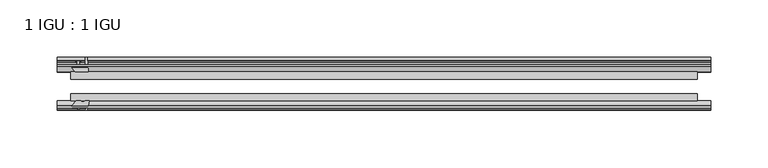
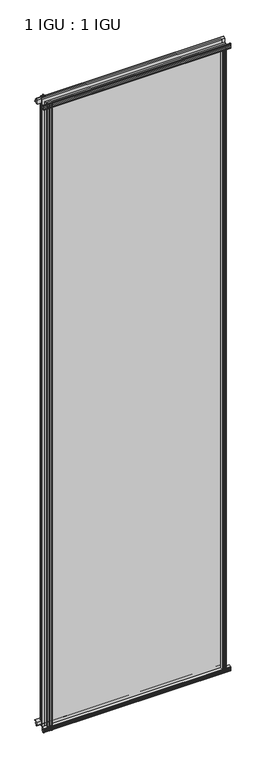
"""IFC4 building model written with IfcOpenShell, lengths in millimetres: plate geometry, 1 IGU : 1 IGU."""

from ifc_helpers import new_model, si_unit, point, frame, frame_2d, origin, origin_with_axes, place, context, project, spatial, polyline, circle_curve, trimmed, segment, composite_curve, outline, extrude, source, transform, mapped, element, save


def plate_1_igu_1_igu_58485bd3(model_context):
    return source(origin(), model_context, "Body", "SweptSolid", [
        extrude(outline(polyline([(-24.9039062, 2.5763839), (-12.2039062, 1.5739665), (-12.2039062, 0.0), (-18.5539062, 0.0), (-18.5539062, -4.953), (-16.254502, -5.5691235), (-16.6301757, -4.1670901), (-15.7714677, -3.937), (-15.1249062, -6.35), (-15.7714677, -8.763), (-16.6301757, -8.5329099), (-16.254502, -7.1308765), (-18.5539062, -7.747), (-18.5539062, -12.7), (-20.5859062, -12.7), (-24.9039062, -9.1036931), (-24.9039062, 2.5763839)])), frame((-285.9124065, 0.0, 0.0), z_axis=(1.0, 0.0, 0.0), x_axis=(0.0, 1.0, 0.0)), (0.0, 0.0, 1.0), 570.1380942),
        extrude(outline(composite_curve([segment(polyline([(-58.2287402, 1.5687054), (-50.3039062, 3.0983599), (-50.3039062, -7.92383), (-54.4858806, -12.1058044)]), True, "CONTINUOUS"), segment(trimmed(circle_curve(frame_2d((-55.3839062, -11.2077788)), 1.27), [point((-54.4858806, -12.1058044))], [point((-56.6539062, -11.2077788))], False, "CARTESIAN"), True, "CONTINUOUS"), segment(polyline([(-56.6539062, -11.2077788), (-56.6539062, -8.0327788), (-58.1332022, -5.4488186), (-56.6539062, -5.1879788), (-56.6539062, 0.2222212), (-58.2287402, 0.0), (-58.2287402, 1.5687054)]), True, "CONTINUOUS")], self_intersect=False)), frame((-285.9124065, 0.0, 0.0), z_axis=(1.0, 0.0, 0.0), x_axis=(0.0, 1.0, 0.0)), (0.0, 0.0, 1.0), 570.1380942),
        extrude(outline(polyline([(-18.5539063, 2001.656525), (-16.254502, 2001.0404015), (-16.6301757, 2002.4424349), (-15.7714677, 2002.672525), (-15.1249063, 2000.259525), (-15.7714677, 1997.846525), (-16.6301757, 1998.0766151), (-16.254502, 1999.4786485), (-18.5539063, 1998.862525), (-18.5539063, 1993.909525), (-12.2039062, 1993.909525), (-12.2039062, 1992.3355585), (-24.9039063, 1991.3331411), (-24.9039063, 2003.0132181), (-20.5859063, 2006.609525), (-18.5539063, 2006.609525), (-18.5539063, 2001.656525)])), frame((-285.9124065, 0.0, 0.0), z_axis=(1.0, 0.0, 0.0), x_axis=(0.0, 1.0, 0.0)), (0.0, 0.0, 1.0), 570.1380942),
        extrude(outline(composite_curve([segment(polyline([(-50.3039063, 2001.833355), (-50.3039063, 1990.8111651), (-58.2287402, 1992.3408196), (-58.2287402, 1993.909525), (-56.6539063, 1993.6873038), (-56.6539063, 1999.0975038), (-58.1332023, 1999.3583436), (-56.6539063, 2001.9423038), (-56.6539063, 2005.1173038)]), True, "CONTINUOUS"), segment(trimmed(circle_curve(frame_2d((-55.3839063, 2005.1173038)), 1.27), [point((-56.6539063, 2005.1173038))], [point((-54.4858806, 2006.0153294))], False, "CARTESIAN"), True, "CONTINUOUS"), segment(polyline([(-54.4858806, 2006.0153294), (-50.3039063, 2001.833355)]), True, "CONTINUOUS")], self_intersect=False)), frame((-285.9124065, 0.0, 0.0), z_axis=(1.0, 0.0, 0.0), x_axis=(0.0, 1.0, 0.0)), (0.0, 0.0, 1.0), 570.1380942),
        extrude(outline(composite_curve([segment(polyline([(257.9328437, -57.3876965), (256.5655278, -50.3039063), (267.5877177, -50.3039063), (271.7696921, -54.4858806)]), True, "CONTINUOUS"), segment(trimmed(circle_curve(frame_2d((270.8716665, -55.3839062)), 1.27), [point((271.7696921, -54.4858806))], [point((270.8716665, -56.6539062))], False, "CARTESIAN"), True, "CONTINUOUS"), segment(polyline([(270.8716665, -56.6539062), (267.6966665, -56.6539063), (265.1127063, -58.1332023), (264.8518665, -56.6539063), (259.4416665, -56.6539063), (259.6638877, -58.2287402), (258.6995669, -58.2014026)]), True, "CONTINUOUS"), segment(trimmed(circle_curve(frame_2d((258.9336665, -57.2127402)), 1.016), [point((258.6995669, -58.2014026))], [point((257.9328437, -57.3876965))], False, "CARTESIAN"), True, "CONTINUOUS")], self_intersect=False)), origin_with_axes(), (0.0, 0.0, 1.0), 1994.3064),
        extrude(outline(polyline([(264.6168877, -18.5539062), (265.2330112, -16.254502), (263.8309778, -16.6301757), (263.6008877, -15.7714677), (266.0138877, -15.1249062), (268.4268877, -15.7714677), (268.1967976, -16.6301757), (266.7947642, -16.254502), (267.4108877, -18.5539062), (272.3638877, -18.5539063), (272.3638877, -20.5859063), (268.7675808, -24.9039063), (257.0875038, -24.9039063), (258.0899212, -12.2039062), (259.6638877, -12.2039062), (259.6638877, -18.5539062), (264.6168877, -18.5539062)])), origin_with_axes(), (0.0, 0.0, 1.0), 1994.3064),
        extrude(outline(composite_curve([segment(polyline([(-269.3833853, -56.6539062), (-272.5583853, -56.6539062)]), True, "CONTINUOUS"), segment(trimmed(circle_curve(frame_2d((-272.5583853, -55.3839062)), 1.27), [point((-272.5583853, -56.6539062))], [point((-273.4564109, -54.4858806))], False, "CARTESIAN"), True, "CONTINUOUS"), segment(polyline([(-273.4564109, -54.4858806), (-269.2744365, -50.3039062), (-265.604891, -50.3039062)]), True, "CONTINUOUS"), segment(trimmed(circle_curve(frame_2d((-263.5413853, -46.3669062)), 4.445), [point((-265.604891, -50.3039062))], [point((-261.4778795, -50.3039062))], True, "CARTESIAN"), True, "CONTINUOUS"), segment(polyline([(-261.4778795, -50.3039062), (-258.2522465, -50.3039062), (-259.781901, -58.2287402), (-261.3506065, -58.2287402), (-261.1283853, -56.6539062), (-266.5385853, -56.6539062), (-266.7994251, -58.1332022), (-269.3833853, -56.6539062)]), True, "CONTINUOUS")], self_intersect=False)), frame((0.0, 0.0, -12.7), z_axis=(0.0, 0.0, 1.0), x_axis=(1.0, 0.0, 0.0)), (0.0, 0.0, 1.0), 2019.309525),
        extrude(outline(polyline([(-258.7742225, -24.9039062), (-270.4542996, -24.9039062), (-274.0506065, -20.5859062), (-274.0506065, -18.5539062), (-269.0976065, -18.5539062), (-268.481483, -16.254502), (-269.8835163, -16.6301757), (-270.1136065, -15.7714677), (-267.7006065, -15.1249062), (-265.2876065, -15.7714677), (-265.5176966, -16.6301757), (-266.91973, -16.254502), (-266.3036065, -18.5539062), (-261.3506065, -18.5539062), (-261.3506065, -12.2039062), (-259.7766399, -12.2039062), (-258.7742225, -24.9039062)])), frame((0.0, 0.0, -12.7), z_axis=(0.0, 0.0, 1.0), x_axis=(1.0, 0.0, 0.0)), (0.0, 0.0, 1.0), 2019.309525),
        extrude(outline(polyline([(272.3638877, -24.9039062), (272.3638877, -31.2031063), (-274.0506065, -31.2031063), (-274.0506065, -24.9039062), (272.3638877, -24.9039062)])), frame((0.0, 0.0, -12.7), z_axis=(0.0, 0.0, 1.0), x_axis=(1.0, 0.0, 0.0)), (0.0, 0.0, 1.0), 2019.309525),
        extrude(outline(polyline([(-274.0506065, -44.0047063), (272.3638877, -44.0047063), (272.3638877, -50.3039062), (-274.0506065, -50.3039062), (-274.0506065, -44.0047063)])), frame((0.0, 0.0, -12.7), z_axis=(0.0, 0.0, 1.0), x_axis=(1.0, 0.0, 0.0)), (0.0, 0.0, 1.0), 2019.309525),
    ])


if __name__ == "__main__":
    model = new_model("IFC4")
    model_context = context("Model", 3, world=origin())
    ifc_project = project(units=[si_unit("LENGTHUNIT", "METRE", prefix="MILLI")], contexts=[model_context])
    site = spatial("IfcSite", under=ifc_project)
    building = spatial("IfcBuilding", under=site)
    placement = place(None, origin())
    plate_1_igu_1_igu_shape = plate_1_igu_1_igu_58485bd3(model_context)
    element("IfcPlate", 1, ObjectType="1 IGU : 1 IGU", at=placement, inside=building, context=model_context, shape_type="MappedRepresentation", body=[
        mapped(plate_1_igu_1_igu_shape, transform((0.0, 0.0, 0.0), x_axis=(1.0, 0.0, 0.0), y_axis=(0.0, 1.0, 0.0), z_axis=(0.0, 0.0, 1.0))),
    ])
    save(model, "model.ifc")
